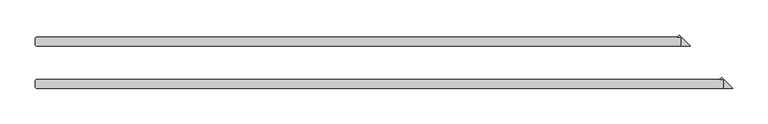
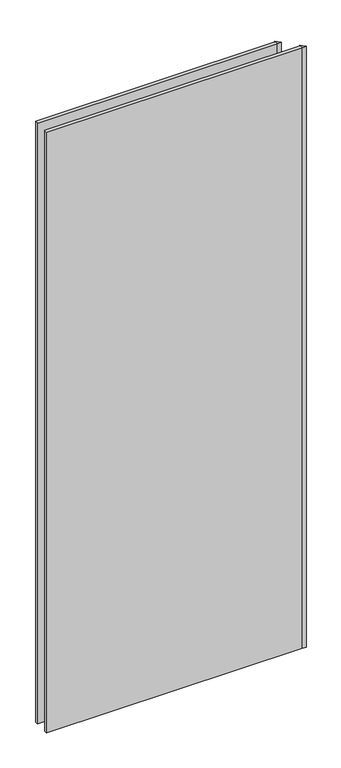
"""IFC4 building model written with IfcOpenShell, lengths in millimetres: plate geometry."""

from ifc_helpers import new_model, si_unit, origin, origin_with_axes, place, context, project, spatial, polyline, outline, extrude, source, transform, mapped, element, save


def plate_14061cf1(model_context):
    return source(origin(), model_context, "Body", "SweptSolid", [
        extrude(outline(polyline([(439.340625, 25.4), (439.340625, 34.925), (437.753125, 36.5125), (433.920561, 36.5125), (436.630593, 39.222532), (452.040625, 23.8125), (437.753125, 23.8125), (439.340625, 25.4)])), origin_with_axes(), (0.0, 0.0, 1.0), 2417.7625023),
        extrude(outline(polyline([(499.665625, -34.925), (499.665625, -25.4), (498.078125, -23.8125), (494.245561, -23.8125), (496.955593, -21.102468), (512.365625, -36.5125), (498.078125, -36.5125), (499.665625, -34.925)])), origin_with_axes(), (0.0, 0.0, 1.0), 2417.7625023),
        extrude(outline(polyline([(437.753125, 23.8125), (-474.265625, 23.8125), (-475.853125, 25.4), (-475.853125, 34.925), (-474.265625, 36.5125), (437.753125, 36.5125), (439.340625, 34.925), (439.340625, 25.4), (437.753125, 23.8125)])), origin_with_axes(), (0.0, 0.0, 1.0), 2417.7625023),
        extrude(outline(polyline([(498.078125, -36.5125), (-474.265625, -36.5125), (-475.853125, -34.925), (-475.853125, -25.4), (-474.265625, -23.8125), (498.078125, -23.8125), (499.665625, -25.4), (499.665625, -34.925), (498.078125, -36.5125)])), origin_with_axes(), (0.0, 0.0, 1.0), 2417.7625023),
    ])


if __name__ == "__main__":
    model = new_model("IFC4")
    model_context = context("Model", 3, world=origin())
    ifc_project = project(units=[si_unit("LENGTHUNIT", "METRE", prefix="MILLI")], contexts=[model_context])
    site = spatial("IfcSite", under=ifc_project)
    building = spatial("IfcBuilding", under=site)
    placement = place(None, origin())
    plate_shape = plate_14061cf1(model_context)
    element("IfcPlate", 1, at=placement, inside=building, context=model_context, shape_type="MappedRepresentation", body=[
        mapped(plate_shape, transform((0.0, 0.0, 0.0), x_axis=(1.0, 0.0, 0.0), y_axis=(0.0, 1.0, 0.0), z_axis=(0.0, 0.0, 1.0))),
    ])
    save(model, "model.ifc")
